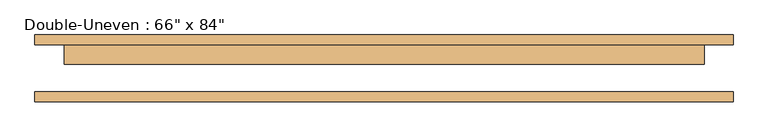
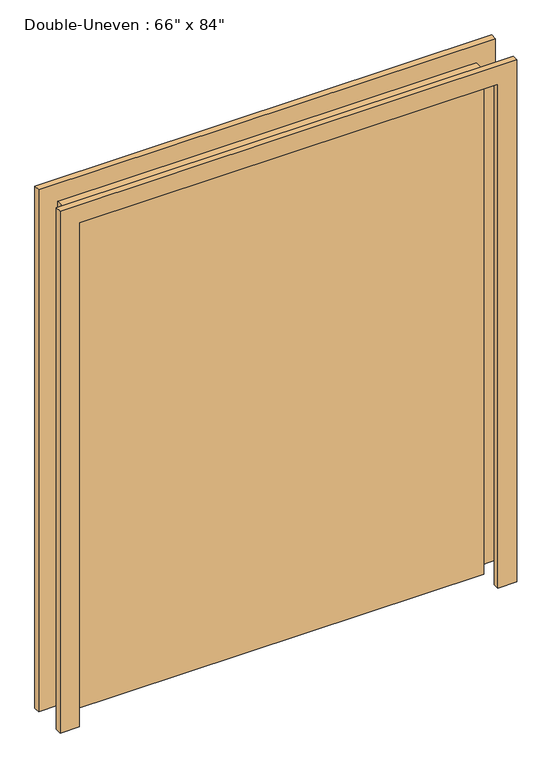
"""IFC4 building model written with IfcOpenShell, lengths in millimetres: door geometry."""

from ifc_helpers import new_model, si_unit, frame, origin, origin_with_axes, place, context, project, spatial, polyline, outline, extrude, source, transform, mapped, element, save


def door_bd9bedcf(model_context):
    return source(origin(), model_context, "Body", "SweptSolid", [
        extrude(outline(polyline([(101.6, 61.9125), (101.6, 11.1125), (-1574.8, 11.1125), (-1574.8, 61.9125), (101.6, 61.9125)])), origin_with_axes(), (0.0, 0.0, 1.0), 2133.6),
        extrude(outline(polyline([(2133.6, -1574.8), (2133.6, 101.6), (0.0, 101.6), (0.0, 177.8), (2209.8, 177.8), (2209.8, -1651.0), (0.0, -1651.0), (0.0, -1574.8), (2133.6, -1574.8)])), frame((0.0, -87.3125, 0.0), z_axis=(0.0, 1.0, 0.0), x_axis=(0.0, 0.0, 1.0)), (0.0, 0.0, 1.0), 25.4),
        extrude(outline(polyline([(2133.6, -1574.8), (2133.6, 101.6), (0.0, 101.6), (0.0, 177.8), (2209.8, 177.8), (2209.8, -1651.0), (0.0, -1651.0), (0.0, -1574.8), (2133.6, -1574.8)])), frame((0.0, 61.9125, 0.0), z_axis=(0.0, 1.0, 0.0), x_axis=(0.0, 0.0, 1.0)), (0.0, 0.0, 1.0), 25.4),
    ])


if __name__ == "__main__":
    model = new_model("IFC4")
    model_context = context("Model", 3, world=origin())
    ifc_project = project(units=[si_unit("LENGTHUNIT", "METRE", prefix="MILLI")], contexts=[model_context])
    site = spatial("IfcSite", under=ifc_project)
    building = spatial("IfcBuilding", under=site)
    placement = place(None, origin())
    door_shape = door_bd9bedcf(model_context)
    element("IfcDoor", 1, ObjectType="Double-Uneven : 66\" x 84\"", at=placement, inside=building, context=model_context, shape_type="MappedRepresentation", body=[
        mapped(door_shape, transform((0.0, 0.0, 0.0), x_axis=(1.0, 0.0, 0.0), y_axis=(0.0, 1.0, 0.0), z_axis=(0.0, 0.0, 1.0))),
    ])
    save(model, "model.ifc")
